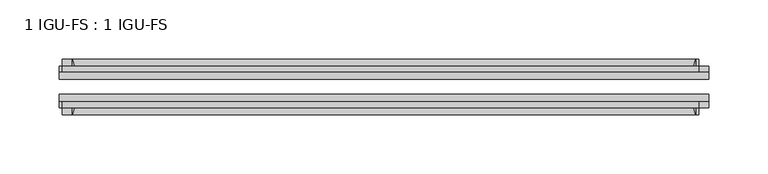
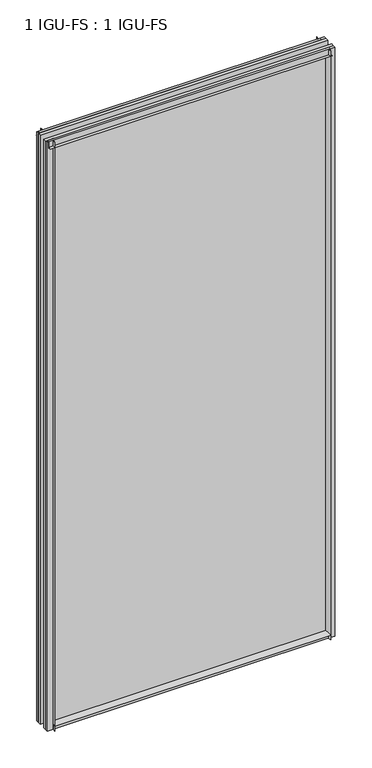
"""IFC4 building model written with IfcOpenShell, lengths in millimetres: plate geometry, 1 IGU-FS : 1 IGU-FS."""

from ifc_helpers import new_model, si_unit, point, frame, frame_2d, origin, place, context, project, spatial, polyline, circle_curve, trimmed, segment, composite_curve, outline, extrude, source, transform, mapped, element, save


def plate_1_igu_fs_1_igu_fs_284de9fc(model_context):
    return source(origin(), model_context, "Body", "SweptSolid", [
        extrude(outline(composite_curve([segment(polyline([(-44.859575, -9.525), (-44.859575, 0.0), (-50.8285753, 0.0)]), True, "CONTINUOUS"), segment(trimmed(circle_curve(frame_2d((-56.4601953, 32.279754)), 32.7673262), [point((-50.8285753, 0.0))], [point((-40.084375, 3.8978906))], True, "CARTESIAN"), True, "CONTINUOUS"), segment(polyline([(-40.084375, 3.8978906), (-40.084375, -9.525), (-44.859575, -9.525)]), True, "CONTINUOUS")], self_intersect=False)), frame((-263.525, 0.0, 0.0), z_axis=(1.0, 0.0, 0.0), x_axis=(0.0, 1.0, 0.0)), (0.0, 0.0, 1.0), 527.05),
        extrude(outline(composite_curve([segment(polyline([(-9.909175, -9.525), (-14.684375, -9.525), (-14.684375, 3.8978906)]), True, "CONTINUOUS"), segment(trimmed(circle_curve(frame_2d((1.6914453, 32.279754)), 32.7673262), [point((-14.684375, 3.8978906))], [point((-3.9401747, 0.0))], True, "CARTESIAN"), True, "CONTINUOUS"), segment(polyline([(-3.9401747, 0.0), (-9.909175, 0.0), (-9.909175, -9.525)]), True, "CONTINUOUS")], self_intersect=False)), frame((-263.525, 0.0, 0.0), z_axis=(1.0, 0.0, 0.0), x_axis=(0.0, 1.0, 0.0)), (0.0, 0.0, 1.0), 527.05),
        extrude(outline(composite_curve([segment(polyline([(-9.909175, 1179.5125), (-9.909175, 1168.4), (-3.9401753, 1168.4)]), True, "CONTINUOUS"), segment(trimmed(circle_curve(frame_2d((1.6914453, 1136.1202461)), 32.7673262), [point((-3.9401753, 1168.4))], [point((-14.684375, 1164.5021095))], True, "CARTESIAN"), True, "CONTINUOUS"), segment(polyline([(-14.684375, 1164.5021095), (-14.684375, 1179.5125), (-9.909175, 1179.5125)]), True, "CONTINUOUS")], self_intersect=False)), frame((-272.0377386, 0.0, 0.0), z_axis=(1.0, 0.0, 0.0), x_axis=(0.0, 1.0, 0.0)), (0.0, 0.0, 1.0), 538.1087001),
        extrude(outline(composite_curve([segment(polyline([(-40.084375, 1179.5125), (-40.084375, 1164.5021095)]), True, "CONTINUOUS"), segment(trimmed(circle_curve(frame_2d((-56.4601953, 1136.1202461)), 32.7673262), [point((-40.084375, 1164.5021095))], [point((-50.8285747, 1168.4))], True, "CARTESIAN"), True, "CONTINUOUS"), segment(polyline([(-50.8285747, 1168.4), (-44.859575, 1168.4), (-44.859575, 1179.5125), (-40.084375, 1179.5125)]), True, "CONTINUOUS")], self_intersect=False)), frame((-272.0377386, 0.0, 0.0), z_axis=(1.0, 0.0, 0.0), x_axis=(0.0, 1.0, 0.0)), (0.0, 0.0, 1.0), 538.1087001),
        extrude(outline(composite_curve([segment(polyline([(274.6375, -9.909175), (274.6375, -14.684375), (259.6271095, -14.684375)]), True, "CONTINUOUS"), segment(trimmed(circle_curve(frame_2d((231.245246, 1.6914453)), 32.7673262), [point((259.6271095, -14.684375))], [point((263.525, -3.940175))], True, "CARTESIAN"), True, "CONTINUOUS"), segment(polyline([(263.525, -3.940175), (263.525, -9.909175), (274.6375, -9.909175)]), True, "CONTINUOUS")], self_intersect=False)), frame((0.0, 0.0, -9.525), z_axis=(0.0, 0.0, 1.0), x_axis=(1.0, 0.0, 0.0)), (0.0, 0.0, 1.0), 1189.0375),
        extrude(outline(composite_curve([segment(polyline([(274.6375, -40.084375), (274.6375, -44.859575), (263.525, -44.859575), (263.525, -50.828575)]), True, "CONTINUOUS"), segment(trimmed(circle_curve(frame_2d((231.245246, -56.4601953)), 32.7673262), [point((263.525, -50.828575))], [point((259.6271095, -40.084375))], True, "CARTESIAN"), True, "CONTINUOUS"), segment(polyline([(259.6271095, -40.084375), (274.6375, -40.084375)]), True, "CONTINUOUS")], self_intersect=False)), frame((0.0, 0.0, -9.525), z_axis=(0.0, 0.0, 1.0), x_axis=(1.0, 0.0, 0.0)), (0.0, 0.0, 1.0), 1189.0375),
        extrude(outline(composite_curve([segment(polyline([(-274.6375, -9.909175), (-263.525, -9.909175), (-263.525, -3.940175)]), True, "CONTINUOUS"), segment(trimmed(circle_curve(frame_2d((-231.245246, 1.6914453)), 32.7673262), [point((-263.525, -3.940175))], [point((-259.6271095, -14.684375))], True, "CARTESIAN"), True, "CONTINUOUS"), segment(polyline([(-259.6271095, -14.684375), (-274.6375, -14.684375), (-274.6375, -9.909175)]), True, "CONTINUOUS")], self_intersect=False)), frame((0.0, 0.0, -9.525), z_axis=(0.0, 0.0, 1.0), x_axis=(1.0, 0.0, 0.0)), (0.0, 0.0, 1.0), 1189.0375),
        extrude(outline(composite_curve([segment(polyline([(-274.6375, -44.859575), (-274.6375, -40.084375), (-259.6271095, -40.084375)]), True, "CONTINUOUS"), segment(trimmed(circle_curve(frame_2d((-231.245246, -56.4601953)), 32.7673262), [point((-259.6271095, -40.084375))], [point((-263.525, -50.828575))], True, "CARTESIAN"), True, "CONTINUOUS"), segment(polyline([(-263.525, -50.828575), (-263.525, -44.859575), (-274.6375, -44.859575)]), True, "CONTINUOUS")], self_intersect=False)), frame((0.0, 0.0, -9.525), z_axis=(0.0, 0.0, 1.0), x_axis=(1.0, 0.0, 0.0)), (0.0, 0.0, 1.0), 1189.0375),
        extrude(outline(polyline([(-274.6375, -40.084375), (-274.6375, -33.785175), (274.6375, -33.785175), (274.6375, -40.084375), (-274.6375, -40.084375)])), frame((0.0, 0.0, -9.525), z_axis=(0.0, 0.0, 1.0), x_axis=(1.0, 0.0, 0.0)), (0.0, 0.0, 1.0), 1189.0375),
        extrude(outline(polyline([(274.6375, -20.983575), (-274.6375, -20.983575), (-274.6375, -14.684375), (274.6375, -14.684375), (274.6375, -20.983575)])), frame((0.0, 0.0, -9.525), z_axis=(0.0, 0.0, 1.0), x_axis=(1.0, 0.0, 0.0)), (0.0, 0.0, 1.0), 1189.0375),
    ])


if __name__ == "__main__":
    model = new_model("IFC4")
    model_context = context("Model", 3, world=origin())
    ifc_project = project(units=[si_unit("LENGTHUNIT", "METRE", prefix="MILLI")], contexts=[model_context])
    site = spatial("IfcSite", under=ifc_project)
    building = spatial("IfcBuilding", under=site)
    placement = place(None, origin())
    plate_1_igu_fs_1_igu_fs_shape = plate_1_igu_fs_1_igu_fs_284de9fc(model_context)
    element("IfcPlate", 1, ObjectType="1 IGU-FS : 1 IGU-FS", at=placement, inside=building, context=model_context, shape_type="MappedRepresentation", body=[
        mapped(plate_1_igu_fs_1_igu_fs_shape, transform((0.0, 0.0, 0.0), x_axis=(1.0, 0.0, 0.0), y_axis=(0.0, 1.0, 0.0), z_axis=(0.0, 0.0, 1.0))),
    ])
    save(model, "model.ifc")
